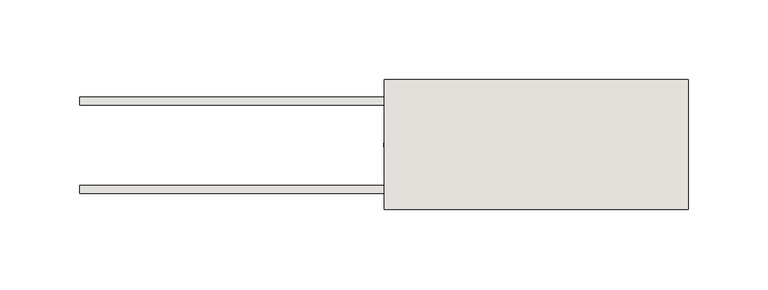
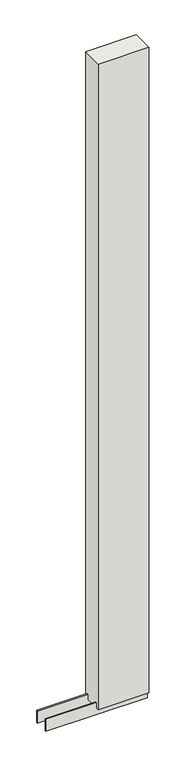
"""IFC4 building model written with IfcOpenShell, lengths in millimetres: wall geometry."""

from ifc_helpers import new_model, si_unit, frame, origin, place, context, project, spatial, polyline, outline, extrude, source, transform, mapped, element, save


def wall_b934dcc9(model_context):
    return source(origin(), model_context, "Body", "SweptSolid", [
        extrude(outline(polyline([(85613.2313132, -51524.0345692), (85615.7713132, -51524.0345692), (85615.7713132, -51526.5745692), (85613.2313132, -51526.5745692), (85613.2313132, -51524.0345692)])), frame((0.0, 0.0, 4419.6), z_axis=(0.0, 0.0, 1.0), x_axis=(1.0, 0.0, 0.0)), (0.0, 0.0, 1.0), 2.54),
        extrude(outline(polyline([(85422.7424892, -51550.3914126), (85803.7424892, -51550.3914126), (85803.7424892, -51555.4732668), (85422.7424892, -51555.4732668), (85422.7424892, -51550.3914126)])), frame((0.0, 0.0, 4418.6602), z_axis=(0.0, 0.0, 1.0), x_axis=(1.0, 0.0, 0.0)), (0.0, 0.0, 1.0), 47.625),
        extrude(outline(polyline([(85422.7424892, -51550.3914126), (85803.7424892, -51550.3914126), (85803.7424892, -51555.4732668), (85422.7424892, -51555.4732668), (85422.7424892, -51550.3914126)])), frame((0.0, 0.0, 4418.6602), z_axis=(0.0, 0.0, 1.0), x_axis=(1.0, 0.0, 0.0)), (0.0, 0.0, 1.0), 47.625),
        extrude(outline(polyline([(85803.7424892, -51500.2270222), (85422.7424892, -51500.2270222), (85422.7424892, -51495.1482668), (85803.7424892, -51495.1482668), (85803.7424892, -51500.2270222)])), frame((0.0, 0.0, 4418.6602), z_axis=(0.0, 0.0, 1.0), x_axis=(1.0, 0.0, 0.0)), (0.0, 0.0, 1.0), 47.625),
        extrude(outline(polyline([(85803.7424892, -51500.2270222), (85422.7424892, -51500.2270222), (85422.7424892, -51495.1482668), (85803.7424892, -51495.1482668), (85803.7424892, -51500.2270222)])), frame((0.0, 0.0, 4418.6602), z_axis=(0.0, 0.0, 1.0), x_axis=(1.0, 0.0, 0.0)), (0.0, 0.0, 1.0), 47.625),
        extrude(outline(polyline([(85613.2424892, -51565.9377366), (85613.2424892, -51484.6558824), (85803.7424892, -51484.6558824), (85803.7424892, -51565.9377366), (85613.2424892, -51565.9377366)])), frame((0.0, 0.0, 4445.0), z_axis=(0.0, 0.0, 1.0), x_axis=(1.0, 0.0, 0.0)), (0.0, 0.0, 1.0), 2562.4536762),
    ])


if __name__ == "__main__":
    model = new_model("IFC4")
    model_context = context("Model", 3, world=origin())
    ifc_project = project(units=[si_unit("LENGTHUNIT", "METRE", prefix="MILLI")], contexts=[model_context])
    site = spatial("IfcSite", under=ifc_project)
    building = spatial("IfcBuilding", under=site)
    placement = place(None, origin())
    wall_shape = wall_b934dcc9(model_context)
    element("IfcWall", 1, at=placement, inside=building, context=model_context, shape_type="MappedRepresentation", body=[
        mapped(wall_shape, transform((0.0, 0.0, 0.0), x_axis=(1.0, 0.0, 0.0), y_axis=(0.0, 1.0, 0.0), z_axis=(0.0, 0.0, 1.0))),
    ])
    save(model, "model.ifc")
